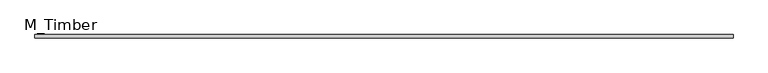
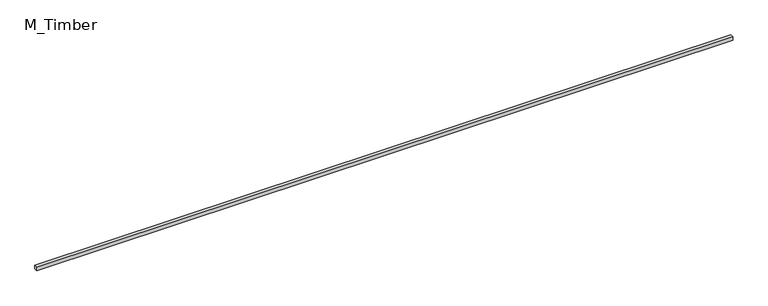
"""IFC4 building model written with IfcOpenShell, lengths in millimetres: beam geometry, M_Timber."""

import ifcopenshell
import ifcopenshell.guid

model = None  # the IFC model being written
_history = None  # IfcOwnerHistory: only IFC2X3 demands one
_inside = {}  # id of a spatial element -> (the spatial element, [elements in it])
_under = {}  # id of a project, library or spatial element -> (it, [spatial elements below it])
_declared = {}  # id of a project -> (the project, [libraries it declares])
_typed = {}  # id of a type object -> (the type object, [elements of that type])
_made_of = {}  # id of a material, layer set ... -> (it, [elements and type objects made of it])


def new_model(schema):
    """Start an empty IFC model of exactly this schema.

    Asked for "IFC4X3", IfcOpenShell would pick the latest addendum, in which some entities
    have other attributes; the version numbers below select the first issue.
    IFC2X3 requires an IfcOwnerHistory on every rooted entity: one is made here for all.
    """
    global model, _history
    if schema == "IFC4X3":
        model = ifcopenshell.file(schema_version=(4, 3, 0, 0))
    else:
        model = ifcopenshell.file(schema=schema)
    _inside.clear()
    _under.clear()
    _declared.clear()
    _typed.clear()
    _made_of.clear()
    _history = None
    if model.schema == "IFC2X3":
        org = make("IfcOrganization", Name="unknown")
        user = make(
            "IfcPersonAndOrganization",
            ThePerson=make("IfcPerson", FamilyName="unknown"),
            TheOrganization=org,
        )
        app = make(
            "IfcApplication",
            ApplicationDeveloper=org,
            Version="unknown",
            ApplicationFullName="unknown",
            ApplicationIdentifier="unknown",
        )
        _history = make(
            "IfcOwnerHistory",
            OwningUser=user,
            OwningApplication=app,
            ChangeAction="ADDED",
            CreationDate=0,
        )
    return model


def make(cls, **values):
    """One entity of the class cls with the attributes given. An attribute that is None is left unset."""
    return model.create_entity(
        cls, **{name: value for name, value in values.items() if value is not None}
    )


def rooted(cls, **values):
    """An entity with a GlobalId (a new one), such as an element, a storey or a relation."""
    return make(cls, GlobalId=ifcopenshell.guid.new(), OwnerHistory=_history, **values)


def si_unit(unit_type, name, prefix=None):
    """IfcSIUnit, for example si_unit("LENGTHUNIT", "METRE", prefix="MILLI")."""
    return make("IfcSIUnit", UnitType=unit_type, Prefix=prefix, Name=name)


def assignment(units):
    """IfcUnitAssignment: the units of a project."""
    return None if units is None else make("IfcUnitAssignment", Units=units)


def point(xyz):
    """IfcCartesianPoint."""
    return None if xyz is None else make("IfcCartesianPoint", Coordinates=xyz)


def direction(xyz):
    """IfcDirection."""
    return None if xyz is None else make("IfcDirection", DirectionRatios=xyz)


def frame(location, z_axis=None, x_axis=None):
    """IfcAxis2Placement3D, a coordinate frame: its origin and axes. An axis left out is left unset."""
    return make(
        "IfcAxis2Placement3D",
        Location=point(location),
        Axis=direction(z_axis),
        RefDirection=direction(x_axis),
    )


def origin():
    """The frame at (0, 0, 0) with its axes left unset."""
    return frame((0.0, 0.0, 0.0))


def place(relative_to, where):
    """IfcLocalPlacement: puts the frame where relative to a parent placement (None: the world)."""
    return make(
        "IfcLocalPlacement", PlacementRelTo=relative_to, RelativePlacement=where
    )


def context(
    kind, dimensions, precision=None, world=None, true_north=None, identifier=None
):
    """IfcGeometricRepresentationContext, for example the 3D "Model" context."""
    return make(
        "IfcGeometricRepresentationContext",
        ContextIdentifier=identifier,
        ContextType=kind,
        CoordinateSpaceDimension=dimensions,
        Precision=precision,
        WorldCoordinateSystem=world,
        TrueNorth=true_north,
    )


def project(units=None, contexts=None):
    """IfcProject with its units and contexts."""
    return rooted(
        "IfcProject",
        Name="project",
        RepresentationContexts=contexts,
        UnitsInContext=assignment(units),
    )


def spatial(cls, under=None, at=None, **own):
    """A site, building, storey or space (cls), placed at a placement, below another one or the project."""
    s = rooted(cls, ObjectPlacement=at, **own)
    if under is not None:
        _under.setdefault(under.id(), (under, []))[1].append(s)
    return s


def polyline(points):
    """IfcPolyline through the points."""
    return make("IfcPolyline", Points=[point(p) for p in points])


def outline(outer, holes=None, kind="AREA"):
    """IfcArbitraryClosedProfileDef: a profile drawn as a closed curve; with holes, ...WithVoids."""
    if holes is None:
        return make("IfcArbitraryClosedProfileDef", ProfileType=kind, OuterCurve=outer)
    return make(
        "IfcArbitraryProfileDefWithVoids",
        ProfileType=kind,
        OuterCurve=outer,
        InnerCurves=holes,
    )


def extrude(swept, where, along, depth):
    """IfcExtrudedAreaSolid: the profile swept, set in the frame where, extruded along a direction by depth."""
    return make(
        "IfcExtrudedAreaSolid",
        SweptArea=swept,
        Position=where,
        ExtrudedDirection=direction(along),
        Depth=depth,
    )


def shape(context_of_items, identifier, shape_type, items):
    """IfcShapeRepresentation: the items that make up one representation, for example the "Body"."""
    return make(
        "IfcShapeRepresentation",
        ContextOfItems=context_of_items,
        RepresentationIdentifier=identifier,
        RepresentationType=shape_type,
        Items=items,
    )


def source(mapping_origin, context_of_items, identifier, shape_type, items):
    """IfcRepresentationMap: a shape defined once, which mapped items show again and again."""
    return make(
        "IfcRepresentationMap",
        MappingOrigin=mapping_origin,
        MappedRepresentation=shape(context_of_items, identifier, shape_type, items),
    )


def transform(
    local_origin,
    x_axis=None,
    y_axis=None,
    z_axis=None,
    scale=None,
    scale2=None,
    scale3=None,
    uniform=True,
):
    """IfcCartesianTransformationOperator3D, or its non-uniform kind. x_axis, y_axis, z_axis: its Axis1, 2, 3."""
    if uniform:
        return make(
            "IfcCartesianTransformationOperator3D",
            Axis1=direction(x_axis),
            Axis2=direction(y_axis),
            LocalOrigin=point(local_origin),
            Scale=scale,
            Axis3=direction(z_axis),
        )
    return make(
        "IfcCartesianTransformationOperator3DnonUniform",
        Axis1=direction(x_axis),
        Axis2=direction(y_axis),
        LocalOrigin=point(local_origin),
        Scale=scale,
        Axis3=direction(z_axis),
        Scale2=scale2,
        Scale3=scale3,
    )


def mapped(mapping_source, mapping_target):
    """IfcMappedItem: shows the shape of a source again, moved by a transform."""
    return make(
        "IfcMappedItem", MappingSource=mapping_source, MappingTarget=mapping_target
    )


def made_of(thing, what):
    """Note that an element or type object is made of a material, layer set ...; save() writes the relation."""
    if what is not None:
        _made_of.setdefault(what.id(), (what, []))[1].append(thing)
    return thing


def element(
    cls,
    number,
    at=None,
    inside=None,
    cuts=None,
    type_object=None,
    material=None,
    context=None,
    identifier="Body",
    shape_type=None,
    held_by="IfcProductDefinitionShape",
    body=None,
    shapes=None,
    **own,
):
    """One element of the class cls, such as IfcWall. Its Tag is "e" and its number.

    at: its placement. inside: the storey or other place that contains it. cuts: it is an
    opening in that element (IfcRelVoidsElement). A single representation is given by context,
    identifier, shape_type and body (its items); several are given by shapes. held_by: the class
    of the entity that holds the representations. save() writes the other relations.
    """
    e = rooted(cls, Tag="e%d" % number, ObjectPlacement=at, **own)
    if body is not None:
        shapes = [shape(context, identifier, shape_type, body)]
    if shapes is not None:
        e.Representation = make(held_by, Representations=shapes)
    if inside is not None:
        _inside.setdefault(inside.id(), (inside, []))[1].append(e)
    if cuts is not None:
        rooted(
            "IfcRelVoidsElement", RelatingBuildingElement=cuts, RelatedOpeningElement=e
        )
    if type_object is not None:
        _typed.setdefault(type_object.id(), (type_object, []))[1].append(e)
    return made_of(e, material)


def aggregate(whole, parts):
    """IfcRelAggregates: a whole, such as a stair, and the parts it consists of."""
    return rooted("IfcRelAggregates", RelatingObject=whole, RelatedObjects=parts)


def save(model, path):
    """Write the relations noted so far, then the file.

    IfcRelAggregates (storeys below a building ...), IfcRelContainedInSpatialStructure (elements
    in a storey), IfcRelDefinesByType, IfcRelAssociatesMaterial and IfcRelDeclares: one each for
    every whole, place, type object, material and project.
    """
    for whole, parts in _under.values():
        aggregate(whole, parts)
    for where, things in _inside.values():
        rooted(
            "IfcRelContainedInSpatialStructure",
            RelatedElements=things,
            RelatingStructure=where,
        )
    for kind, things in _typed.values():
        rooted("IfcRelDefinesByType", RelatedObjects=things, RelatingType=kind)
    for what, things in _made_of.values():
        rooted("IfcRelAssociatesMaterial", RelatedObjects=things, RelatingMaterial=what)
    for by, libraries in _declared.values():
        rooted("IfcRelDeclares", RelatingContext=by, RelatedDefinitions=libraries)
    model.write(path)


def m_timber_9fe695e6(model_context):
    return source(origin(), model_context, "Body", "SweptSolid", [
        extrude(outline(polyline([(5964.7066726, 30.0), (5964.7066726, -30.0), (-5964.7066726, -30.0), (-5964.7066726, 30.0), (5964.7066726, 30.0)])), frame((0.0, 0.0, -30.0), z_axis=(0.0, 0.0, 1.0), x_axis=(1.0, 0.0, 0.0)), (0.0, 0.0, 1.0), 60.0),
    ])


if __name__ == "__main__":
    model = new_model("IFC4")
    model_context = context("Model", 3, world=origin())
    ifc_project = project(units=[si_unit("LENGTHUNIT", "METRE", prefix="MILLI")], contexts=[model_context])
    site = spatial("IfcSite", under=ifc_project)
    building = spatial("IfcBuilding", under=site)
    placement = place(None, origin())
    m_timber_shape = m_timber_9fe695e6(model_context)
    element("IfcBeam", 1, ObjectType="M_Timber", at=placement, inside=building, context=model_context, shape_type="MappedRepresentation", body=[
        mapped(m_timber_shape, transform((0.0, 0.0, 0.0), x_axis=(1.0, 0.0, 0.0), y_axis=(0.0, 1.0, 0.0), z_axis=(0.0, 0.0, 1.0))),
    ])
    save(model, "model.ifc")
